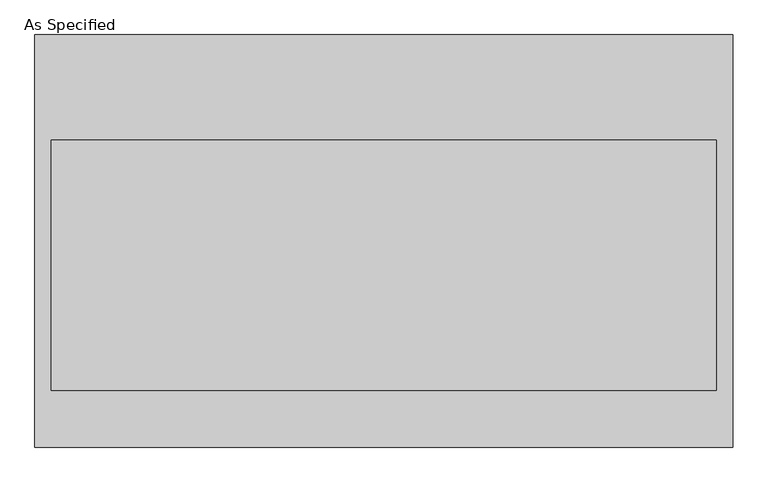
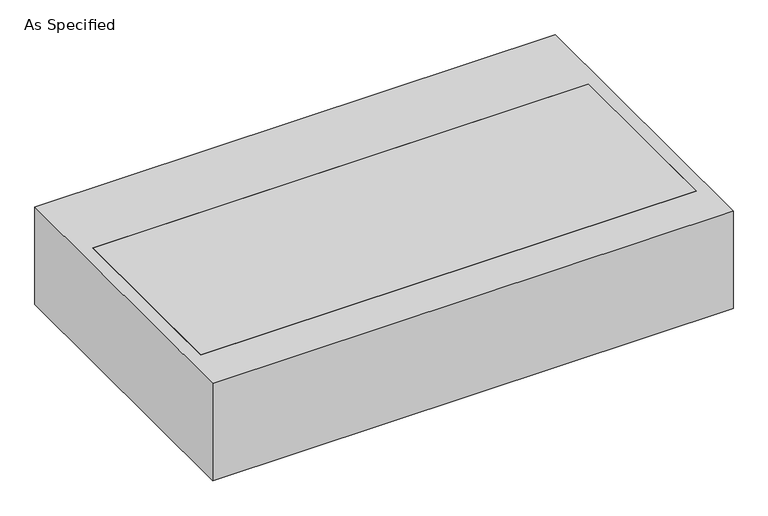
"""IFC4 building model written with IfcOpenShell, lengths in millimetres: proxy geometry, As Specified."""

from ifc_helpers import new_model, si_unit, frame, origin, place, context, project, spatial, polyline, outline, extrude, faceted_brep, source, transform, mapped, element, save


def as_specified_99881233(model_context):
    return source(origin(), model_context, "Body", "SolidModel", [
        faceted_brep([(-1273.175, 752.475, -25.4), (-1273.175, 752.475, -530.225), (-1273.175, -752.475, -530.225), (-1273.175, -752.475, -25.4), (-1212.85, 368.3, -25.4), (-1212.85, -546.1, -25.4), (-1212.85, -546.1, -373.0625), (-1212.85, 368.3, -373.0625), (1273.175, 752.475, -25.4), (1273.175, -752.475, -25.4), (1212.85, 368.3, -25.4), (1212.85, -546.1, -25.4), (1273.175, -752.475, -530.225), (1273.175, 752.475, -530.225), (1212.85, 368.3, -373.0625), (1212.85, -546.1, -373.0625)], [[[0, 1, 2, 3]], [[4, 5, 6, 7]], [[8, 0, 3, 9], [5, 4, 10, 11]], [[8, 9, 12, 13]], [[12, 9, 3, 2]], [[13, 12, 2, 1]], [[8, 13, 1, 0]], [[4, 7, 14, 10]], [[7, 6, 15, 14]], [[6, 5, 11, 15]], [[11, 10, 14, 15]]]),
        extrude(outline(polyline([(1212.85, 368.3), (1212.85, -546.1), (-1212.85, -546.1), (-1212.85, 368.3), (1212.85, 368.3)])), frame((0.0, 0.0, -373.0625), z_axis=(0.0, 0.0, 1.0), x_axis=(1.0, 0.0, 0.0)), (0.0, 0.0, 1.0), 347.6625),
    ])


if __name__ == "__main__":
    model = new_model("IFC4")
    model_context = context("Model", 3, world=origin())
    ifc_project = project(units=[si_unit("LENGTHUNIT", "METRE", prefix="MILLI")], contexts=[model_context])
    site = spatial("IfcSite", under=ifc_project)
    building = spatial("IfcBuilding", under=site)
    placement = place(None, origin())
    as_specified_shape = as_specified_99881233(model_context)
    element("IfcBuildingElementProxy", 1, Name="As Specified", ObjectType="As Specified", at=placement, inside=building, context=model_context, shape_type="MappedRepresentation", body=[
        mapped(as_specified_shape, transform((0.0, 0.0, 0.0), x_axis=(1.0, 0.0, 0.0), y_axis=(0.0, 1.0, 0.0), z_axis=(0.0, 0.0, 1.0))),
    ])
    save(model, "model.ifc")
